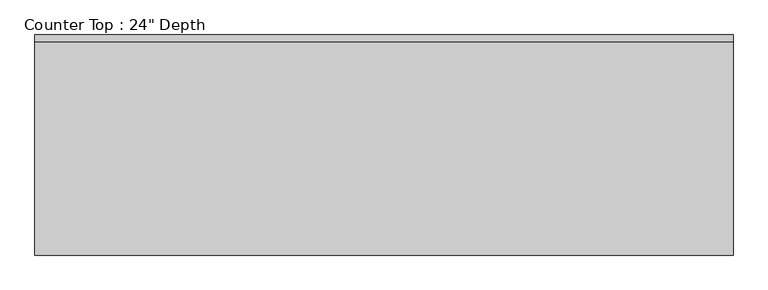
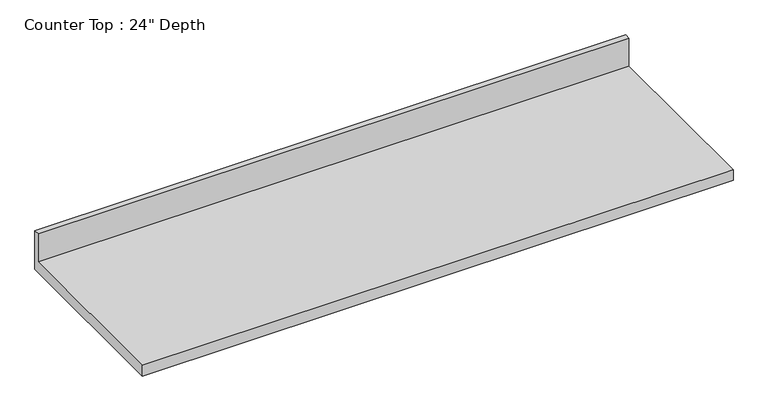
"""IFC4 building model written with IfcOpenShell, lengths in millimetres: furniture geometry."""

from ifc_helpers import new_model, si_unit, frame, origin, place, context, project, spatial, polyline, outline, extrude, source, transform, mapped, element, save


def furniture_aff544f1(model_context):
    return source(origin(), model_context, "Body", "SweptSolid", [
        extrude(outline(polyline([(0.0, 1016.0), (0.0, 876.3), (-635.0, 876.3), (-635.0, 914.4), (-19.05, 914.4), (-19.05, 1016.0), (0.0, 1016.0)])), frame((-1200.4622951, 0.0, 0.0), z_axis=(1.0, 0.0, 0.0), x_axis=(0.0, 1.0, 0.0)), (0.0, 0.0, 1.0), 2014.3164462),
    ])


if __name__ == "__main__":
    model = new_model("IFC4")
    model_context = context("Model", 3, world=origin())
    ifc_project = project(units=[si_unit("LENGTHUNIT", "METRE", prefix="MILLI")], contexts=[model_context])
    site = spatial("IfcSite", under=ifc_project)
    building = spatial("IfcBuilding", under=site)
    placement = place(None, origin())
    furniture_shape = furniture_aff544f1(model_context)
    element("IfcFurniture", 1, ObjectType="Counter Top : 24\" Depth", at=placement, inside=building, context=model_context, shape_type="MappedRepresentation", body=[
        mapped(furniture_shape, transform((0.0, 0.0, 0.0), x_axis=(1.0, 0.0, 0.0), y_axis=(0.0, 1.0, 0.0), z_axis=(0.0, 0.0, 1.0))),
    ])
    save(model, "model.ifc")
